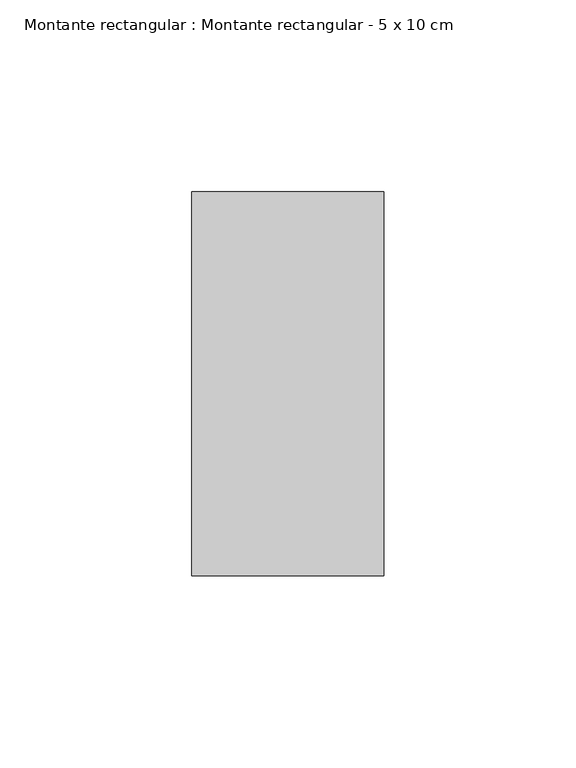
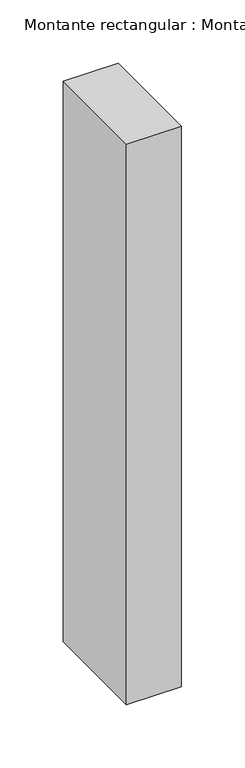
"""IFC4 building model written with IfcOpenShell, lengths in millimetres: member geometry, Montante rectangular : Montante rectangular - 5 x 10 cm."""

from ifc_helpers import new_model, si_unit, frame, origin, place, context, project, spatial, polyline, outline, extrude, source, transform, mapped, element, save


def montante_rectangular_montante_rectangular_5_x_10_cm_d24d51b8(model_context):
    return source(origin(), model_context, "Body", "SweptSolid", [
        extrude(outline(polyline([(25.0, 50.0), (25.0, -50.0), (-25.0, -50.0), (-25.0, 50.0), (25.0, 50.0)])), frame((0.0, 0.0, -541.0), z_axis=(0.0, 0.0, 1.0), x_axis=(1.0, 0.0, 0.0)), (0.0, 0.0, 1.0), 541.0),
    ])


if __name__ == "__main__":
    model = new_model("IFC4")
    model_context = context("Model", 3, world=origin())
    ifc_project = project(units=[si_unit("LENGTHUNIT", "METRE", prefix="MILLI")], contexts=[model_context])
    site = spatial("IfcSite", under=ifc_project)
    building = spatial("IfcBuilding", under=site)
    placement = place(None, origin())
    montante_rectangular_montante_rectangular_5_x_10_cm_shape = montante_rectangular_montante_rectangular_5_x_10_cm_d24d51b8(model_context)
    element("IfcMember", 1, ObjectType="Montante rectangular : Montante rectangular - 5 x 10 cm", at=placement, inside=building, context=model_context, shape_type="MappedRepresentation", body=[
        mapped(montante_rectangular_montante_rectangular_5_x_10_cm_shape, transform((0.0, 0.0, 0.0), x_axis=(1.0, 0.0, 0.0), y_axis=(0.0, 1.0, 0.0), z_axis=(0.0, 0.0, 1.0))),
    ])
    save(model, "model.ifc")
